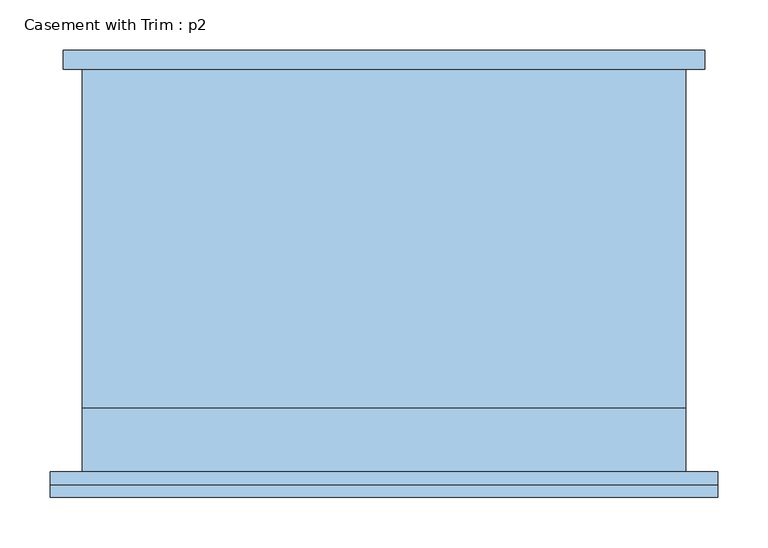
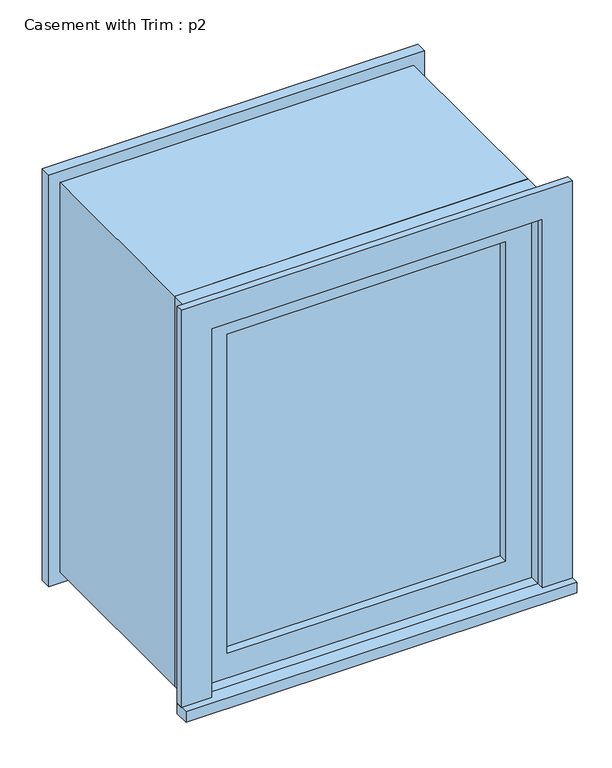
"""IFC4 building model written with IfcOpenShell, lengths in millimetres: window geometry, Casement with Trim : p2."""

from ifc_helpers import new_model, si_unit, frame, origin, place, context, project, spatial, polyline, outline, extrude, source, transform, mapped, element, save


def casement_with_trim_p2_40b72bd3(model_context):
    return source(origin(), model_context, "Body", "SweptSolid", [
        extrude(outline(polyline([(-331.75, -225.4), (-331.75, -200.0), (331.75, -200.0), (331.75, -225.4), (-331.75, -225.4)])), frame((0.0, 0.0, 914.4), z_axis=(0.0, 0.0, 1.0), x_axis=(1.0, 0.0, 0.0)), (0.0, 0.0, 1.0), 19.05),
        extrude(outline(polyline([(1595.35, -280.95), (1595.35, 280.95), (933.45, 280.95), (933.45, 331.75), (1646.15, 331.75), (1646.15, -331.75), (933.45, -331.75), (933.45, -280.95), (1595.35, -280.95)])), frame((0.0, -212.7, 0.0), z_axis=(0.0, 1.0, 0.0), x_axis=(0.0, 0.0, 1.0)), (0.0, 0.0, 1.0), 12.7),
        extrude(outline(polyline([(1633.45, 319.05), (1633.45, -319.05), (895.35, -319.05), (895.35, 319.05), (1633.45, 319.05)]), holes=[polyline([(1582.65, 268.25), (946.15, 268.25), (946.15, -268.25), (1582.65, -268.25), (1582.65, 268.25)])]), frame((0.0, 200.0, 0.0), z_axis=(0.0, 1.0, 0.0), x_axis=(0.0, 0.0, 1.0)), (0.0, 0.0, 1.0), 19.05),
        extrude(outline(polyline([(236.5, -152.375), (236.5, -165.075), (-236.5, -165.075), (-236.5, -152.375), (236.5, -152.375)])), frame((0.0, 0.0, 977.9), z_axis=(0.0, 0.0, 1.0), x_axis=(1.0, 0.0, 0.0)), (0.0, 0.0, 1.0), 573.0),
        extrude(outline(polyline([(1595.35, -280.95), (933.45, -280.95), (933.45, 280.95), (1595.35, 280.95), (1595.35, -280.95)]), holes=[polyline([(1550.9, -236.5), (1550.9, 236.5), (977.9, 236.5), (977.9, -236.5), (1550.9, -236.5)])]), frame((0.0, -180.95, 0.0), z_axis=(0.0, 1.0, 0.0), x_axis=(0.0, 0.0, 1.0)), (0.0, 0.0, 1.0), 44.45),
        extrude(outline(polyline([(1614.4, -300.0), (914.4, -300.0), (914.4, 300.0), (1614.4, 300.0), (1614.4, -300.0)]), holes=[polyline([(1582.65, -268.25), (1582.65, 268.25), (946.15, 268.25), (946.15, -268.25), (1582.65, -268.25)])]), frame((0.0, -136.5, 0.0), z_axis=(0.0, 1.0, 0.0), x_axis=(0.0, 0.0, 1.0)), (0.0, 0.0, 1.0), 336.5),
        extrude(outline(polyline([(1614.4, 300.0), (1614.4, -300.0), (914.4, -300.0), (914.4, 300.0), (1614.4, 300.0)]), holes=[polyline([(1595.35, 280.95), (933.45, 280.95), (933.45, -280.95), (1595.35, -280.95), (1595.35, 280.95)])]), frame((0.0, -200.0, 0.0), z_axis=(0.0, 1.0, 0.0), x_axis=(0.0, 0.0, 1.0)), (0.0, 0.0, 1.0), 63.5),
    ])


if __name__ == "__main__":
    model = new_model("IFC4")
    model_context = context("Model", 3, world=origin())
    ifc_project = project(units=[si_unit("LENGTHUNIT", "METRE", prefix="MILLI")], contexts=[model_context])
    site = spatial("IfcSite", under=ifc_project)
    building = spatial("IfcBuilding", under=site)
    placement = place(None, origin())
    casement_with_trim_p2_shape = casement_with_trim_p2_40b72bd3(model_context)
    element("IfcWindow", 1, ObjectType="Casement with Trim : p2", at=placement, inside=building, context=model_context, shape_type="MappedRepresentation", body=[
        mapped(casement_with_trim_p2_shape, transform((0.0, 0.0, 0.0), x_axis=(1.0, 0.0, 0.0), y_axis=(0.0, 1.0, 0.0), z_axis=(0.0, 0.0, 1.0))),
    ])
    save(model, "model.ifc")
